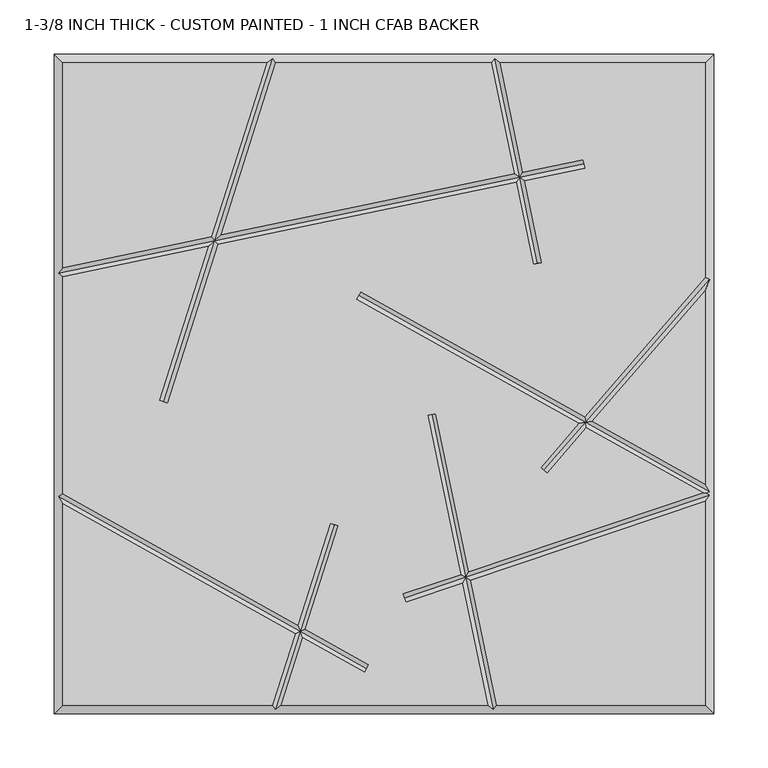
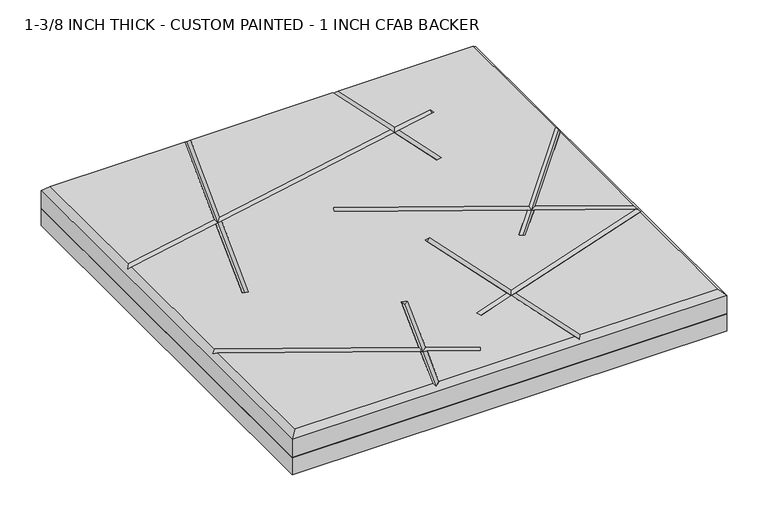
"""IFC4 building model written with IfcOpenShell, lengths in millimetres: proxy geometry, 1-3/8 INCH THICK - CUSTOM PAINTED - 1 INCH CFAB BACKER."""

from ifc_helpers import new_model, si_unit, frame, origin, place, context, project, spatial, polyline, outline, extrude, faceted_brep, source, transform, mapped, element, save


def proxy_1_3_8_inch_thick_custom_painted_1_inch_cfab_backer_c143033a(model_context):
    return source(origin(), model_context, "Body", "SolidModel", [
        extrude(outline(polyline([(-304.8, 304.8), (304.8, 304.8), (304.8, -304.8), (-304.8, -304.8), (-304.8, 304.8)])), frame((0.0, 0.0, -25.4), z_axis=(0.0, 0.0, 1.0), x_axis=(1.0, 0.0, 0.0)), (0.0, 0.0, 1.0), 25.4),
        faceted_brep([(-296.799, 296.799, 34.925), (-296.799, 107.3480638, 34.925), (-159.4586078, 135.8795502, 34.925), (-108.3391886, 296.799, 34.925), (296.799, -296.799, 34.925), (296.799, -108.5119669, 34.925), (80.0538834, -181.4165569, 34.925), (104.0237625, -296.799, 34.925), (-296.799, -110.6534853, 34.925), (-296.799, -296.799, 34.925), (-103.2558195, -296.799, 34.925), (-82.2134891, -230.5595886, 34.925), (184.2546922, 207.2835354, 34.925), (185.8820968, 199.4497907, 34.925), (129.9840642, 187.8373734, 34.925), (145.7029214, 112.1724049, 34.925), (137.8691767, 110.5450004, 34.925), (122.1503195, 186.2099688, 34.925), (-153.2498082, 128.9975577, 34.925), (-199.8388724, -17.6607318, 34.925), (-207.4643565, -15.2383377, 34.925), (-162.2379804, 127.130329, 34.925), (-296.799, 99.1762375, 34.925), (-296.799, -101.4881131, 34.925), (-79.7408339, -222.7758868, 34.925), (-49.8549585, -128.6977715, 34.925), (-42.2294744, -131.1201655, 34.925), (-72.6113646, -226.7596921, 34.925), (-13.9611021, -259.5322889, 34.925), (-17.8639294, -266.516839, 34.925), (-75.0840198, -234.5433938, 34.925), (-94.8608114, -296.799, 34.925), (95.8519362, -296.799, 34.925), (72.4157815, -183.985716, 34.925), (20.0037035, -201.6150916, 34.925), (17.4529106, -194.0315926, 34.925), (70.7766593, -176.0955667, 34.925), (40.2072869, -28.9455186, 34.925), (48.0410316, -27.318114, 34.925), (78.4147612, -173.5264076, 34.925), (294.9653156, -100.6872606, 34.925), (187.1012518, -40.4149733, 34.925), (150.6770336, -82.4732231, 34.925), (144.6288963, -77.2352812, 34.925), (179.9685456, -36.4293593, 34.925), (-25.4958806, 78.3800638, 34.925), (-21.5930534, 85.3646139, 34.925), (185.3175947, -30.2529291, 34.925), (296.799, 98.472217, 34.925), (296.799, 296.799, 34.925), (107.3480638, 296.799, 34.925), (128.3566596, 195.671118, 34.925), (-99.9441805, 296.799, 34.925), (-150.4704356, 137.7467788, 34.925), (120.522915, 194.0437135, 34.925), (99.1762375, 296.799, 34.925), (192.4503009, -34.238543, 34.925), (296.799, -92.5465147, 34.925), (296.799, 86.2506228, 34.925), (-304.8, 304.8, 0.0), (304.8, 304.8, 0.0), (304.8, -304.8, 0.0), (-304.8, -304.8, 0.0), (-304.8, -304.8, 26.924), (-304.8, 304.8, 26.924), (304.8, -304.8, 26.924), (304.8, 304.8, 26.924), (-102.8708423, 300.7995, 30.9245), (102.4310753, 300.7995, 30.9245), (-300.7995, -103.8353996, 30.9245), (-300.7995, 102.4310753, 30.9245), (100.7689247, -300.7995, 30.9245), (-100.3291577, -300.7995, 30.9245), (300.7995, 96.9807099, 30.9245), (300.7995, -99.3646004, 30.9245), (298.0563573, -100.9741346, 33.6676427), (300.7995, -102.9456119, 30.9245), (185.0683945, 203.3666631, 30.9245), (-156.354208, 132.4385539, 30.9245), (125.2534896, 190.9405434, 30.9245), (-203.6516145, -16.4495347, 30.9245), (141.7860491, 111.3587027, 30.9245), (-23.544467, 81.8723389, 30.9245), (186.2094232, -35.3339512, 30.9245), (147.652965, -79.8542522, 30.9245), (18.728307, -197.8233421, 30.9245), (75.4152713, -178.7560618, 30.9245), (-15.9125158, -263.0245639, 30.9245), (-77.4124268, -228.6596403, 30.9245), (-46.0422164, -129.9089685, 30.9245), (44.1241593, -28.1318163, 30.9245)], [[[0, 1, 2, 3]], [[4, 5, 6, 7]], [[8, 9, 10, 11]], [[12, 13, 14, 15, 16, 17, 18, 19, 20, 21, 22, 23, 24, 25, 26, 27, 28, 29, 30, 31, 32, 33, 34, 35, 36, 37, 38, 39, 40, 41, 42, 43, 44, 45, 46, 47, 48, 49, 50, 51]], [[52, 53, 54, 55]], [[56, 57, 58]], [[59, 60, 61, 62]], [[59, 62, 63, 64]], [[62, 61, 65, 63]], [[61, 60, 66, 65]], [[60, 59, 64, 66]], [[64, 0, 3, 67, 52, 55, 68, 50, 49, 66]], [[0, 64, 63, 9, 8, 69, 23, 22, 70, 1]], [[9, 63, 65, 4, 7, 71, 32, 31, 72, 10]], [[66, 49, 48, 73, 58, 57, 74, 75, 76, 5, 4, 65]], [[12, 77, 13]], [[1, 70, 78, 2]], [[77, 12, 51, 79]], [[53, 78, 79, 54]], [[70, 22, 21, 78]], [[13, 77, 79, 14]], [[78, 18, 17, 79]], [[19, 80, 20]], [[80, 19, 18, 78]], [[67, 78, 53, 52]], [[20, 80, 78, 21]], [[78, 67, 3, 2]], [[15, 81, 16]], [[81, 15, 14, 79]], [[68, 79, 51, 50]], [[16, 81, 79, 17]], [[79, 68, 55, 54]], [[45, 82, 46]], [[74, 57, 56, 83]], [[46, 82, 83, 47]], [[82, 45, 44, 83]], [[74, 83, 41, 40, 75]], [[42, 84, 43]], [[84, 42, 41, 83]], [[73, 83, 56, 58]], [[43, 84, 83, 44]], [[83, 73, 48, 47]], [[34, 85, 35]], [[5, 76, 86, 6]], [[85, 34, 33, 86]], [[76, 75, 40, 39, 86]], [[35, 85, 86, 36]], [[28, 87, 29]], [[23, 69, 88, 24]], [[87, 28, 27, 88]], [[69, 8, 11, 88]], [[29, 87, 88, 30]], [[25, 89, 26]], [[89, 25, 24, 88]], [[72, 88, 11, 10]], [[26, 89, 88, 27]], [[88, 72, 31, 30]], [[37, 90, 38]], [[90, 37, 36, 86]], [[71, 86, 33, 32]], [[38, 90, 86, 39]], [[86, 71, 7, 6]]]),
    ])


if __name__ == "__main__":
    model = new_model("IFC4")
    model_context = context("Model", 3, world=origin())
    ifc_project = project(units=[si_unit("LENGTHUNIT", "METRE", prefix="MILLI")], contexts=[model_context])
    site = spatial("IfcSite", under=ifc_project)
    building = spatial("IfcBuilding", under=site)
    placement = place(None, origin())
    proxy_1_3_8_inch_thick_custom_painted_1_inch_cfab_backer_shape = proxy_1_3_8_inch_thick_custom_painted_1_inch_cfab_backer_c143033a(model_context)
    element("IfcBuildingElementProxy", 1, Name="1-3/8 INCH THICK - CUSTOM PAINTED - 1 INCH CFAB BACKER", ObjectType="1-3/8 INCH THICK - CUSTOM PAINTED - 1 INCH CFAB BACKER", at=placement, inside=building, context=model_context, shape_type="MappedRepresentation", body=[
        mapped(proxy_1_3_8_inch_thick_custom_painted_1_inch_cfab_backer_shape, transform((0.0, 0.0, 0.0), x_axis=(1.0, 0.0, 0.0), y_axis=(0.0, 1.0, 0.0), z_axis=(0.0, 0.0, 1.0))),
    ])
    save(model, "model.ifc")
